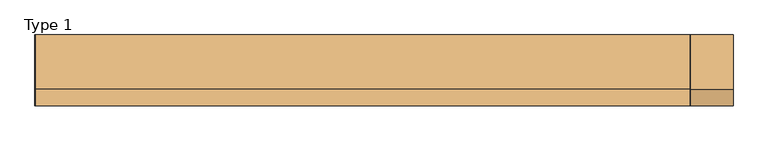
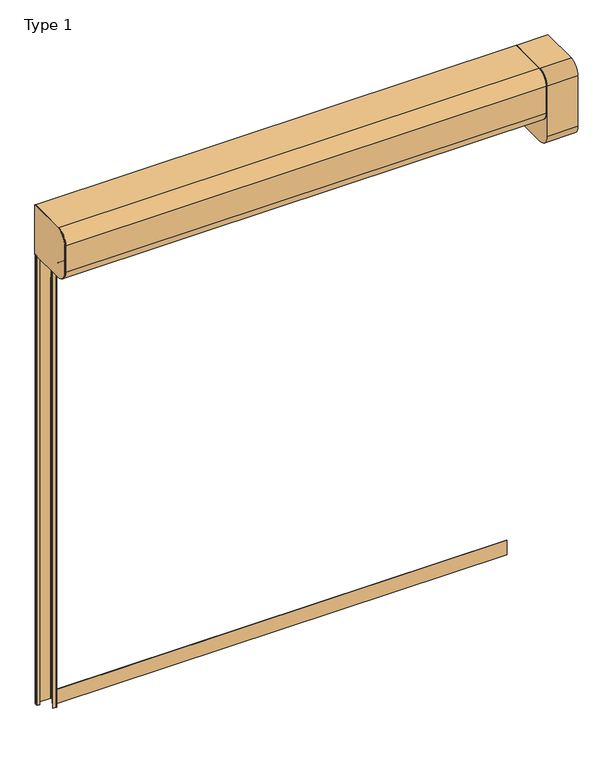
"""IFC4 building model written with IfcOpenShell, lengths in millimetres: door geometry, Type 1."""

from ifc_helpers import new_model, si_unit, point, frame, frame_2d, origin, origin_with_axes, place, context, project, spatial, polyline, circle_curve, trimmed, segment, composite_curve, outline, extrude, source, transform, mapped, element, save
from ifc_brep_helpers import plane_surface, cylinder_surface, revolved_surface, advanced_brep


def type_1_6bd4177a(model_context):
    return source(origin(), model_context, "Body", "SolidModel", [
        advanced_brep(
        [(-1622.2, -100.0, 0.0), (-1517.8, -100.0, 0.0), (-1515.0, -102.8, 0.0), (-1515.0, -145.3138261, 0.0), (-1517.1209002, -148.0302251, 0.0), (-1534.3940285, -152.3485071, 0.0), (-1535.0, -153.1246211, 0.0), (-1535.0, -195.7, 0.0), (-1537.8, -198.5, 0.0), (-1560.0, -198.5, 0.0), (-1560.0, -196.5, 0.0), (-1537.8, -196.5, 0.0), (-1537.0, -195.7, 0.0), (-1537.0, -153.1246211, 0.0), (-1534.8790998, -150.4082221, 0.0), (-1517.6059715, -146.0899401, 0.0), (-1517.0, -145.3138261, 0.0), (-1517.0, -102.8, 0.0), (-1517.8, -102.0, 0.0), (-1622.2, -102.0, 0.0), (-1623.0, -102.8, 0.0), (-1623.0, -122.2, 0.0), (-1622.2, -123.0, 0.0), (-1607.0, -123.0, 0.0), (-1607.0, -125.0, 0.0), (-1622.2, -125.0, 0.0), (-1625.0, -122.2, 0.0), (-1625.0, -102.8, 0.0), (-1622.2, -100.0, 3000.0), (-1622.2, -100.0, 3200.0), (-1517.8, -100.0, 3200.0), (-1517.8, -100.0, 3000.0), (-1515.0, -102.8, 3000.0), (-1515.0, -102.8, 3200.0), (-1515.0, -145.3138261, 3200.0), (-1515.0, -145.3138261, 3000.0), (-1517.1209002, -148.0302251, 3000.0), (-1517.1209002, -148.0302251, 3200.0), (-1534.3940285, -152.3485071, 3200.0), (-1534.3940285, -152.3485071, 3000.0), (-1535.0, -153.1246211, 3000.0), (-1535.0, -153.1246211, 3200.0), (-1535.0, -195.7, 3200.0), (-1535.0, -195.7, 3000.0), (-1537.8, -198.5, 3000.0), (-1537.8, -198.5, 3200.0), (-1560.0, -198.5, 3200.0), (-1560.0, -196.5, 3200.0), (-1537.8, -196.5, 3200.0), (-1537.8, -196.5, 3000.0), (-1537.0, -195.7, 3000.0), (-1537.0, -195.7, 3200.0), (-1537.0, -153.1246211, 3200.0), (-1537.0, -153.1246211, 3000.0), (-1534.8790998, -150.4082221, 3000.0), (-1534.8790998, -150.4082221, 3200.0), (-1517.6059715, -146.0899401, 3200.0), (-1517.6059715, -146.0899401, 3000.0), (-1517.0, -145.3138261, 3000.0), (-1517.0, -145.3138261, 3200.0), (-1517.0, -102.8, 3200.0), (-1517.0, -102.8, 3000.0), (-1517.8, -102.0, 3000.0), (-1517.8, -102.0, 3200.0), (-1622.2, -102.0, 3200.0), (-1622.2, -102.0, 3000.0), (-1623.0, -102.8, 3000.0), (-1623.0, -102.8, 3200.0), (-1623.0, -122.2, 3200.0), (-1623.0, -122.2, 3000.0), (-1622.2, -123.0, 3000.0), (-1622.2, -123.0, 3200.0), (-1607.0, -123.0, 3200.0), (-1607.0, -125.0, 3200.0), (-1622.2, -125.0, 3200.0), (-1622.2, -125.0, 3000.0), (-1625.0, -122.2, 3000.0), (-1625.0, -122.2, 3200.0), (-1625.0, -102.8, 3200.0), (-1625.0, -102.8, 3000.0)],
        [
            (0, 1),
            (1, 2, circle_curve(frame((-1517.8, -102.8, 0.0), z_axis=(0.0, 0.0, -1.0), x_axis=(0.0, -1.0, 0.0)), 2.8)),
            (2, 3),
            (3, 4, circle_curve(frame((-1517.8, -145.3138261, 0.0), z_axis=(0.0, 0.0, -1.0), x_axis=(0.0, -1.0, 0.0)), 2.8)),
            (4, 5),
            (5, 6, circle_curve(frame((-1534.2, -153.1246211, 0.0), z_axis=(0.0, 0.0, 1.0), x_axis=(0.0, -1.0, 0.0)), 0.8)),
            (6, 7),
            (7, 8, circle_curve(frame((-1537.8, -195.7, 0.0), z_axis=(0.0, 0.0, -1.0), x_axis=(0.0, -1.0, 0.0)), 2.8)),
            (8, 9),
            (9, 10),
            (10, 11),
            (11, 12, circle_curve(frame((-1537.8, -195.7, 0.0), z_axis=(0.0, 0.0, 1.0), x_axis=(0.0, -1.0, 0.0)), 0.8)),
            (12, 13),
            (13, 14, circle_curve(frame((-1534.2, -153.1246211, 0.0), z_axis=(0.0, 0.0, -1.0), x_axis=(0.0, -1.0, 0.0)), 2.8)),
            (14, 15),
            (15, 16, circle_curve(frame((-1517.8, -145.3138261, 0.0), z_axis=(0.0, 0.0, 1.0), x_axis=(0.0, -1.0, 0.0)), 0.8)),
            (16, 17),
            (17, 18, circle_curve(frame((-1517.8, -102.8, 0.0), z_axis=(0.0, 0.0, 1.0), x_axis=(0.0, -1.0, 0.0)), 0.8)),
            (18, 19),
            (19, 20, circle_curve(frame((-1622.2, -102.8, 0.0), z_axis=(0.0, 0.0, 1.0), x_axis=(0.0, -1.0, 0.0)), 0.8)),
            (20, 21),
            (21, 22, circle_curve(frame((-1622.2, -122.2, 0.0), z_axis=(0.0, 0.0, 1.0), x_axis=(0.0, -1.0, 0.0)), 0.8)),
            (22, 23),
            (23, 24),
            (24, 25),
            (25, 26, circle_curve(frame((-1622.2, -122.2, 0.0), z_axis=(0.0, 0.0, -1.0), x_axis=(0.0, -1.0, 0.0)), 2.8)),
            (26, 27),
            (27, 0, circle_curve(frame((-1622.2, -102.8, 0.0), z_axis=(0.0, 0.0, -1.0), x_axis=(0.0, -1.0, 0.0)), 2.8)),
            (0, 28),
            (28, 29),
            (29, 30),
            (30, 31),
            (31, 1),
            (31, 32, circle_curve(frame((-1517.8, -102.8, 3000.0), z_axis=(0.0, 0.0, -1.0), x_axis=(0.0, -1.0, 0.0)), 2.8)),
            (32, 2),
            (32, 33),
            (33, 34),
            (34, 35),
            (35, 3),
            (35, 36, circle_curve(frame((-1517.8, -145.3138261, 3000.0), z_axis=(0.0, 0.0, -1.0), x_axis=(0.0, -1.0, 0.0)), 2.8)),
            (36, 4),
            (36, 37),
            (37, 38),
            (38, 39),
            (39, 5),
            (39, 40, circle_curve(frame((-1534.2, -153.1246211, 3000.0), z_axis=(0.0, 0.0, 1.0), x_axis=(0.0, -1.0, 0.0)), 0.8)),
            (40, 6),
            (40, 41),
            (41, 42),
            (42, 43),
            (43, 7),
            (43, 44, circle_curve(frame((-1537.8, -195.7, 3000.0), z_axis=(0.0, 0.0, -1.0), x_axis=(0.0, -1.0, 0.0)), 2.8)),
            (44, 8),
            (44, 45),
            (45, 46),
            (46, 9),
            (46, 47),
            (47, 10),
            (47, 48),
            (48, 49),
            (49, 11),
            (49, 50, circle_curve(frame((-1537.8, -195.7, 3000.0), z_axis=(0.0, 0.0, 1.0), x_axis=(0.0, -1.0, 0.0)), 0.8)),
            (50, 12),
            (50, 51),
            (51, 52),
            (52, 53),
            (53, 13),
            (53, 54, circle_curve(frame((-1534.2, -153.1246211, 3000.0), z_axis=(0.0, 0.0, -1.0), x_axis=(0.0, -1.0, 0.0)), 2.8)),
            (54, 14),
            (54, 55),
            (55, 56),
            (56, 57),
            (57, 15),
            (57, 58, circle_curve(frame((-1517.8, -145.3138261, 3000.0), z_axis=(0.0, 0.0, 1.0), x_axis=(0.0, -1.0, 0.0)), 0.8)),
            (58, 16),
            (58, 59),
            (59, 60),
            (60, 61),
            (61, 17),
            (61, 62, circle_curve(frame((-1517.8, -102.8, 3000.0), z_axis=(0.0, 0.0, 1.0), x_axis=(0.0, -1.0, 0.0)), 0.8)),
            (62, 18),
            (62, 63),
            (63, 64),
            (64, 65),
            (65, 19),
            (65, 66, circle_curve(frame((-1622.2, -102.8, 3000.0), z_axis=(0.0, 0.0, 1.0), x_axis=(0.0, -1.0, 0.0)), 0.8)),
            (66, 20),
            (66, 67),
            (67, 68),
            (68, 69),
            (69, 21),
            (69, 70, circle_curve(frame((-1622.2, -122.2, 3000.0), z_axis=(0.0, 0.0, 1.0), x_axis=(0.0, -1.0, 0.0)), 0.8)),
            (70, 22),
            (70, 71),
            (71, 72),
            (72, 23),
            (72, 73),
            (73, 24),
            (73, 74),
            (74, 75),
            (75, 25),
            (75, 76, circle_curve(frame((-1622.2, -122.2, 3000.0), z_axis=(0.0, 0.0, -1.0), x_axis=(0.0, -1.0, 0.0)), 2.8)),
            (76, 26),
            (76, 77),
            (77, 78),
            (78, 79),
            (79, 27),
            (79, 28, circle_curve(frame((-1622.2, -102.8, 3000.0), z_axis=(0.0, 0.0, -1.0), x_axis=(0.0, -1.0, 0.0)), 2.8)),
            (78, 29, circle_curve(frame((-1622.2, -102.8, 3200.0), z_axis=(0.0, 0.0, -1.0), x_axis=(0.0, -1.0, 0.0)), 2.8)),
            (41, 38, circle_curve(frame((-1534.2, -153.1246211, 3200.0), z_axis=(0.0, 0.0, -1.0), x_axis=(0.0, -1.0, 0.0)), 0.8)),
            (37, 34, circle_curve(frame((-1517.8, -145.3138261, 3200.0), z_axis=(0.0, 0.0, 1.0), x_axis=(0.0, -1.0, 0.0)), 2.8)),
            (33, 30, circle_curve(frame((-1517.8, -102.8, 3200.0), z_axis=(0.0, 0.0, 1.0), x_axis=(0.0, -1.0, 0.0)), 2.8)),
            (77, 74, circle_curve(frame((-1622.2, -122.2, 3200.0), z_axis=(0.0, 0.0, 1.0), x_axis=(0.0, -1.0, 0.0)), 2.8)),
            (71, 68, circle_curve(frame((-1622.2, -122.2, 3200.0), z_axis=(0.0, 0.0, -1.0), x_axis=(0.0, -1.0, 0.0)), 0.8)),
            (67, 64, circle_curve(frame((-1622.2, -102.8, 3200.0), z_axis=(0.0, 0.0, -1.0), x_axis=(0.0, -1.0, 0.0)), 0.8)),
            (63, 60, circle_curve(frame((-1517.8, -102.8, 3200.0), z_axis=(0.0, 0.0, -1.0), x_axis=(0.0, -1.0, 0.0)), 0.8)),
            (59, 56, circle_curve(frame((-1517.8, -145.3138261, 3200.0), z_axis=(0.0, 0.0, -1.0), x_axis=(0.0, -1.0, 0.0)), 0.8)),
            (55, 52, circle_curve(frame((-1534.2, -153.1246211, 3200.0), z_axis=(0.0, 0.0, 1.0), x_axis=(0.0, -1.0, 0.0)), 2.8)),
            (51, 48, circle_curve(frame((-1537.8, -195.7, 3200.0), z_axis=(0.0, 0.0, -1.0), x_axis=(0.0, -1.0, 0.0)), 0.8)),
            (45, 42, circle_curve(frame((-1537.8, -195.7, 3200.0), z_axis=(0.0, 0.0, 1.0), x_axis=(0.0, -1.0, 0.0)), 2.8)),
        ],
        [
            plane_surface(frame((-1500.0, -100.0, 0.0), z_axis=(0.0, 0.0, -1.0), x_axis=(1.0, 0.0, 0.0))),
            plane_surface(frame((-1622.2, -100.0, 0.0), z_axis=(0.0, 1.0, 0.0), x_axis=(0.0, 0.0, 1.0))),
            cylinder_surface(frame((-1517.8, -102.8, 0.0), z_axis=(0.0, 0.0, -1.0), x_axis=(0.0, -1.0, 0.0)), 2.8),
            plane_surface(frame((-1515.0, -102.8, 0.0), z_axis=(1.0, 0.0, 0.0), x_axis=(0.0, 0.0, 1.0))),
            cylinder_surface(frame((-1517.8, -145.3138261, 0.0), z_axis=(0.0, 0.0, -1.0), x_axis=(0.0, -1.0, 0.0)), 2.8),
            plane_surface(frame((-1517.1209002, -148.0302251, 0.0), z_axis=(0.24253562503407194, -0.9701425001458972, 0.0), x_axis=(0.0, 0.0, 1.0))),
            revolved_surface(polyline([(-1534.2, -153.92462110000002, 3000.0), (-1534.2, -153.92462110000002, 0.0)]), (-1534.2, -153.1246211, 0.0), (0.0, 0.0, 1.0)),
            plane_surface(frame((-1535.0, -153.1246211, 0.0), z_axis=(1.0, 0.0, 0.0), x_axis=(0.0, 0.0, 1.0))),
            cylinder_surface(frame((-1537.8, -195.7, 0.0), z_axis=(0.0, 0.0, -1.0), x_axis=(0.0, -1.0, 0.0)), 2.8),
            plane_surface(frame((-1537.8, -198.5, 0.0), z_axis=(0.0, -1.0, 0.0), x_axis=(0.0, 0.0, 1.0))),
            plane_surface(frame((-1560.0, -198.5, 0.0), z_axis=(-1.0, 0.0, 0.0), x_axis=(0.0, 0.0, 1.0))),
            plane_surface(frame((-1560.0, -196.5, 0.0), z_axis=(0.0, 1.0, 0.0), x_axis=(0.0, 0.0, 1.0))),
            revolved_surface(polyline([(-1537.8, -196.5, 3000.0), (-1537.8, -196.5, 0.0)]), (-1537.8, -195.7, 0.0), (0.0, 0.0, 1.0)),
            plane_surface(frame((-1537.0, -195.7, 0.0), z_axis=(-1.0, 0.0, 0.0), x_axis=(0.0, 0.0, 1.0))),
            cylinder_surface(frame((-1534.2, -153.1246211, 0.0), z_axis=(0.0, 0.0, -1.0), x_axis=(0.0, -1.0, 0.0)), 2.8),
            plane_surface(frame((-1534.8790998, -150.4082221, 0.0), z_axis=(-0.24253562503339576, 0.9701425001460662, 0.0), x_axis=(0.0, 0.0, 1.0))),
            revolved_surface(polyline([(-1517.8, -146.1138261, 3000.0), (-1517.8, -146.1138261, 0.0)]), (-1517.8, -145.3138261, 0.0), (0.0, 0.0, 1.0)),
            plane_surface(frame((-1517.0, -145.3138261, 0.0), z_axis=(-1.0, 0.0, 0.0), x_axis=(0.0, 0.0, 1.0))),
            revolved_surface(polyline([(-1517.8, -103.6, 3000.0), (-1517.8, -103.6, 0.0)]), (-1517.8, -102.8, 0.0), (0.0, 0.0, 1.0)),
            plane_surface(frame((-1517.8, -102.0, 0.0), z_axis=(0.0, -1.0, 0.0), x_axis=(0.0, 0.0, 1.0))),
            revolved_surface(polyline([(-1622.2, -103.6, 3000.0), (-1622.2, -103.6, 0.0)]), (-1622.2, -102.8, 0.0), (0.0, 0.0, 1.0)),
            plane_surface(frame((-1623.0, -102.8, 0.0), z_axis=(1.0, 0.0, 0.0), x_axis=(0.0, 0.0, 1.0))),
            revolved_surface(polyline([(-1622.2, -123.0, 3000.0), (-1622.2, -123.0, 0.0)]), (-1622.2, -122.2, 0.0), (0.0, 0.0, 1.0)),
            plane_surface(frame((-1622.2, -123.0, 0.0), z_axis=(0.0, 1.0, 0.0), x_axis=(0.0, 0.0, 1.0))),
            plane_surface(frame((-1607.0, -123.0, 0.0), z_axis=(1.0, 0.0, 0.0), x_axis=(0.0, 0.0, 1.0))),
            plane_surface(frame((-1607.0, -125.0, 0.0), z_axis=(0.0, -1.0, 0.0), x_axis=(0.0, 0.0, 1.0))),
            cylinder_surface(frame((-1622.2, -122.2, 0.0), z_axis=(0.0, 0.0, -1.0), x_axis=(0.0, -1.0, 0.0)), 2.8),
            plane_surface(frame((-1625.0, -122.2, 0.0), z_axis=(-1.0, 0.0, 0.0), x_axis=(0.0, 0.0, 1.0))),
            cylinder_surface(frame((-1622.2, -102.8, 0.0), z_axis=(0.0, 0.0, -1.0), x_axis=(0.0, -1.0, 0.0)), 2.8),
            cylinder_surface(frame((-1622.2, -102.8, 3200.0), z_axis=(0.0, 0.0, -1.0), x_axis=(0.0, -1.0, 0.0)), 2.8),
            plane_surface(frame((-1535.0, -195.7, 3200.0), z_axis=(0.0, 0.0, 1.0), x_axis=(0.0, 1.0, 0.0))),
            cylinder_surface(frame((-1517.8, -102.8, 3200.0), z_axis=(0.0, 0.0, -1.0), x_axis=(0.0, -1.0, 0.0)), 2.8),
            cylinder_surface(frame((-1517.8, -145.3138261, 3200.0), z_axis=(0.0, 0.0, -1.0), x_axis=(0.0, -1.0, 0.0)), 2.8),
            revolved_surface(polyline([(-1534.2, -153.92462110000002, 3200.0), (-1534.2, -153.92462110000002, 3000.0)]), (-1534.2, -153.1246211, 3200.0), (0.0, 0.0, 1.0)),
            cylinder_surface(frame((-1537.8, -195.7, 3200.0), z_axis=(0.0, 0.0, -1.0), x_axis=(0.0, -1.0, 0.0)), 2.8),
            revolved_surface(polyline([(-1537.8, -196.5, 3200.0), (-1537.8, -196.5, 3000.0)]), (-1537.8, -195.7, 3200.0), (0.0, 0.0, 1.0)),
            cylinder_surface(frame((-1534.2, -153.1246211, 3200.0), z_axis=(0.0, 0.0, -1.0), x_axis=(0.0, -1.0, 0.0)), 2.8),
            revolved_surface(polyline([(-1517.8, -146.1138261, 3200.0), (-1517.8, -146.1138261, 3000.0)]), (-1517.8, -145.3138261, 3200.0), (0.0, 0.0, 1.0)),
            revolved_surface(polyline([(-1517.8, -103.6, 3200.0), (-1517.8, -103.6, 3000.0)]), (-1517.8, -102.8, 3200.0), (0.0, 0.0, 1.0)),
            revolved_surface(polyline([(-1622.2, -103.6, 3200.0), (-1622.2, -103.6, 3000.0)]), (-1622.2, -102.8, 3200.0), (0.0, 0.0, 1.0)),
            revolved_surface(polyline([(-1622.2, -123.0, 3200.0), (-1622.2, -123.0, 3000.0)]), (-1622.2, -122.2, 3200.0), (0.0, 0.0, 1.0)),
            cylinder_surface(frame((-1622.2, -122.2, 3200.0), z_axis=(0.0, 0.0, -1.0), x_axis=(0.0, -1.0, 0.0)), 2.8),
        ],
        [
            (0, [[1, 2, 3, 4, 5, 6, 7, 8, 9, 10, 11, 12, 13, 14, 15, 16, 17, 18, 19, 20, 21, 22, 23, 24, 25, 26, 27, 28]]),
            (1, [[-1, 29, 30, 31, 32, 33]]),
            (2, [[-2, -33, 34, 35]]),
            (3, [[-3, -35, 36, 37, 38, 39]]),
            (4, [[-4, -39, 40, 41]]),
            (5, [[-5, -41, 42, 43, 44, 45]]),
            (6, [[-6, -45, 46, 47]]),
            (7, [[-7, -47, 48, 49, 50, 51]]),
            (8, [[-8, -51, 52, 53]]),
            (9, [[-9, -53, 54, 55, 56]]),
            (10, [[-10, -56, 57, 58]]),
            (11, [[-11, -58, 59, 60, 61]]),
            (12, [[-12, -61, 62, 63]]),
            (13, [[-13, -63, 64, 65, 66, 67]]),
            (14, [[-14, -67, 68, 69]]),
            (15, [[-15, -69, 70, 71, 72, 73]]),
            (16, [[-16, -73, 74, 75]]),
            (17, [[-17, -75, 76, 77, 78, 79]]),
            (18, [[-18, -79, 80, 81]]),
            (19, [[-19, -81, 82, 83, 84, 85]]),
            (20, [[-20, -85, 86, 87]]),
            (21, [[-21, -87, 88, 89, 90, 91]]),
            (22, [[-22, -91, 92, 93]]),
            (23, [[-23, -93, 94, 95, 96]]),
            (24, [[-24, -96, 97, 98]]),
            (25, [[-25, -98, 99, 100, 101]]),
            (26, [[-26, -101, 102, 103]]),
            (27, [[-27, -103, 104, 105, 106, 107]]),
            (28, [[-28, -107, 108, -29]]),
            (29, [[109, -30, -108, -106]]),
            (30, [[110, -43, 111, -37, 112, -31, -109, -105, 113, -99, -97, -95, 114, -89, 115, -83, 116, -77, 117, -71, 118, -65, 119, -59, -57, -55, 120, -49]]),
            (31, [[-112, -36, -34, -32]]),
            (32, [[-111, -42, -40, -38]]),
            (33, [[-110, -48, -46, -44]]),
            (34, [[-120, -54, -52, -50]]),
            (35, [[-119, -64, -62, -60]]),
            (36, [[-118, -70, -68, -66]]),
            (37, [[-117, -76, -74, -72]]),
            (38, [[-116, -82, -80, -78]]),
            (39, [[-115, -88, -86, -84]]),
            (40, [[-114, -94, -92, -90]]),
            (41, [[-113, -104, -102, -100]]),
        ],
    ),
        extrude(outline(composite_curve([segment(polyline([(-370.0, 3550.0), (-100.0, 3550.0), (-100.0, 3030.0), (-370.0, 3030.0)]), True, "CONTINUOUS"), segment(trimmed(circle_curve(frame_2d((-370.0, 3110.0)), 80.0), [point((-370.0, 3030.0))], [point((-450.0, 3110.0))], False, "CARTESIAN"), True, "CONTINUOUS"), segment(polyline([(-450.0, 3110.0), (-450.0, 3470.0)]), True, "CONTINUOUS"), segment(trimmed(circle_curve(frame_2d((-370.0, 3470.0)), 80.0), [point((-450.0, 3470.0))], [point((-370.0, 3550.0))], False, "CARTESIAN"), True, "CONTINUOUS")], self_intersect=False)), frame((1625.0, 0.0, 0.0), z_axis=(1.0, 0.0, 0.0), x_axis=(0.0, 1.0, 0.0)), (0.0, 0.0, 1.0), 210.0),
        extrude(outline(composite_curve([segment(polyline([(-370.0, 3550.0), (-100.0, 3550.0), (-100.0, 3545.0), (-370.0, 3545.0)]), True, "CONTINUOUS"), segment(trimmed(circle_curve(frame_2d((-370.0, 3470.0)), 75.0), [point((-370.0, 3545.0))], [point((-445.0, 3470.0))], True, "CARTESIAN"), True, "CONTINUOUS"), segment(polyline([(-445.0, 3470.0), (-445.0, 3280.0)]), True, "CONTINUOUS"), segment(trimmed(circle_curve(frame_2d((-370.0, 3280.0)), 75.0), [point((-445.0, 3280.0))], [point((-370.0, 3205.0))], True, "CARTESIAN"), True, "CONTINUOUS"), segment(polyline([(-370.0, 3205.0), (-200.0, 3205.0), (-200.0, 3200.0), (-370.0, 3200.0)]), True, "CONTINUOUS"), segment(trimmed(circle_curve(frame_2d((-370.0, 3280.0)), 80.0), [point((-370.0, 3200.0))], [point((-450.0, 3280.0))], False, "CARTESIAN"), True, "CONTINUOUS"), segment(polyline([(-450.0, 3280.0), (-450.0, 3470.0)]), True, "CONTINUOUS"), segment(trimmed(circle_curve(frame_2d((-370.0, 3470.0)), 80.0), [point((-450.0, 3470.0))], [point((-370.0, 3550.0))], False, "CARTESIAN"), True, "CONTINUOUS")], self_intersect=False)), frame((-1620.0, 0.0, 0.0), z_axis=(1.0, 0.0, 0.0), x_axis=(0.0, 1.0, 0.0)), (0.0, 0.0, 1.0), 3240.0),
        advanced_brep(
        [(1535.0, -275.0, 3325.0), (1535.0, -275.0, 3425.0), (1535.0, -275.0, 3385.0), (1535.0, -275.0, 3365.0), (-1535.0, -275.0, 3325.0), (-1535.0, -275.0, 3425.0), (-1535.0, -275.0, 3365.0), (-1535.0, -275.0, 3385.0), (1570.0, -275.0, 3385.0), (1570.0, -275.0, 3365.0), (-1570.0, -275.0, 3365.0), (-1570.0, -275.0, 3385.0)],
        [
            (0, 1, circle_curve(frame((1535.0, -275.0, 3375.0), z_axis=(1.0, 0.0, 0.0), x_axis=(0.0, 0.0, 1.0)), 50.0)),
            (1, 0, circle_curve(frame((1535.0, -275.0, 3375.0), z_axis=(1.0, 0.0, 0.0), x_axis=(0.0, 0.0, 1.0)), 50.0)),
            (2, 3, circle_curve(frame((1535.0, -275.0, 3375.0), z_axis=(-1.0, 0.0, 0.0), x_axis=(0.0, 0.0, -1.0)), 10.0)),
            (3, 2, circle_curve(frame((1535.0, -275.0, 3375.0), z_axis=(-1.0, 0.0, 0.0), x_axis=(0.0, 0.0, -1.0)), 10.0)),
            (4, 5, circle_curve(frame((-1535.0, -275.0, 3375.0), z_axis=(-1.0, 0.0, 0.0), x_axis=(0.0, 0.0, 1.0)), 50.0)),
            (5, 4, circle_curve(frame((-1535.0, -275.0, 3375.0), z_axis=(-1.0, 0.0, 0.0), x_axis=(0.0, 0.0, 1.0)), 50.0)),
            (6, 7, circle_curve(frame((-1535.0, -275.0, 3375.0), z_axis=(1.0, 0.0, 0.0), x_axis=(0.0, 0.0, 1.0)), 10.0)),
            (7, 6, circle_curve(frame((-1535.0, -275.0, 3375.0), z_axis=(1.0, 0.0, 0.0), x_axis=(0.0, 0.0, 1.0)), 10.0)),
            (0, 4),
            (5, 1),
            (8, 9, circle_curve(frame((1570.0, -275.0, 3375.0), z_axis=(1.0, 0.0, 0.0), x_axis=(0.0, 0.0, -1.0)), 10.0)),
            (9, 8, circle_curve(frame((1570.0, -275.0, 3375.0), z_axis=(1.0, 0.0, 0.0), x_axis=(0.0, 0.0, -1.0)), 10.0)),
            (9, 3),
            (2, 8),
            (10, 11, circle_curve(frame((-1570.0, -275.0, 3375.0), z_axis=(-1.0, 0.0, 0.0), x_axis=(0.0, 0.0, 1.0)), 10.0)),
            (11, 10, circle_curve(frame((-1570.0, -275.0, 3375.0), z_axis=(-1.0, 0.0, 0.0), x_axis=(0.0, 0.0, 1.0)), 10.0)),
            (11, 7),
            (6, 10),
        ],
        [
            plane_surface(frame((1535.0, -275.0, 3425.0), z_axis=(1.0, 0.0, 0.0), x_axis=(0.0, -1.0, 0.0))),
            plane_surface(frame((-1535.0, -275.0, 3425.0), z_axis=(-1.0, 0.0, 0.0), x_axis=(0.0, 1.0, 0.0))),
            cylinder_surface(frame((-1535.0, -275.0, 3375.0), z_axis=(1.0, 0.0, 0.0), x_axis=(0.0, 0.0, 1.0)), 50.0),
            plane_surface(frame((1570.0, -275.0, 3365.0), z_axis=(1.0, 0.0, 0.0), x_axis=(0.0, 1.0, 0.0))),
            cylinder_surface(frame((1570.0, -275.0, 3375.0), z_axis=(-1.0, 0.0, 0.0), x_axis=(0.0, 0.0, -1.0)), 10.0),
            plane_surface(frame((-1570.0, -275.0, 3385.0), z_axis=(-1.0, 0.0, 0.0), x_axis=(0.0, 1.0, 0.0))),
            cylinder_surface(frame((-1570.0, -275.0, 3375.0), z_axis=(1.0, 0.0, 0.0), x_axis=(0.0, 0.0, 1.0)), 10.0),
        ],
        [
            (0, [[1, 2], [3, 4]]),
            (1, [[5, 6], [7, 8]]),
            (2, [[-1, 9, -6, 10]]),
            (2, [[-2, -10, -5, -9]]),
            (3, [[11, 12]]),
            (4, [[-12, 13, -3, 14]]),
            (4, [[-11, -14, -4, -13]]),
            (5, [[15, 16]]),
            (6, [[-16, 17, -7, 18]]),
            (6, [[-15, -18, -8, -17]]),
        ],
    ),
        extrude(outline(composite_curve([segment(trimmed(circle_curve(frame_2d((-220.0, 3430.0)), 40.0), [point((-220.0, 3470.0))], [point((-180.0, 3430.0))], False, "CARTESIAN"), True, "CONTINUOUS"), segment(polyline([(-180.0, 3430.0), (-180.0, 3320.0)]), True, "CONTINUOUS"), segment(trimmed(circle_curve(frame_2d((-220.0, 3320.0)), 40.0), [point((-180.0, 3320.0))], [point((-220.0, 3280.0))], False, "CARTESIAN"), True, "CONTINUOUS"), segment(polyline([(-220.0, 3280.0), (-330.0, 3280.0)]), True, "CONTINUOUS"), segment(trimmed(circle_curve(frame_2d((-330.0, 3320.0)), 40.0), [point((-330.0, 3280.0))], [point((-370.0, 3320.0))], False, "CARTESIAN"), True, "CONTINUOUS"), segment(polyline([(-370.0, 3320.0), (-370.0, 3430.0)]), True, "CONTINUOUS"), segment(trimmed(circle_curve(frame_2d((-330.0, 3430.0)), 40.0), [point((-370.0, 3430.0))], [point((-330.0, 3470.0))], False, "CARTESIAN"), True, "CONTINUOUS"), segment(polyline([(-330.0, 3470.0), (-220.0, 3470.0)]), True, "CONTINUOUS")], self_intersect=False)), frame((1570.0, 0.0, 0.0), z_axis=(1.0, 0.0, 0.0), x_axis=(0.0, 1.0, 0.0)), (0.0, 0.0, 1.0), 50.0),
        extrude(outline(composite_curve([segment(trimmed(circle_curve(frame_2d((-220.0, 3430.0)), 40.0), [point((-220.0, 3470.0))], [point((-180.0, 3430.0))], False, "CARTESIAN"), True, "CONTINUOUS"), segment(polyline([(-180.0, 3430.0), (-180.0, 3320.0)]), True, "CONTINUOUS"), segment(trimmed(circle_curve(frame_2d((-220.0, 3320.0)), 40.0), [point((-180.0, 3320.0))], [point((-220.0, 3280.0))], False, "CARTESIAN"), True, "CONTINUOUS"), segment(polyline([(-220.0, 3280.0), (-330.0, 3280.0)]), True, "CONTINUOUS"), segment(trimmed(circle_curve(frame_2d((-330.0, 3320.0)), 40.0), [point((-330.0, 3280.0))], [point((-370.0, 3320.0))], False, "CARTESIAN"), True, "CONTINUOUS"), segment(polyline([(-370.0, 3320.0), (-370.0, 3430.0)]), True, "CONTINUOUS"), segment(trimmed(circle_curve(frame_2d((-330.0, 3430.0)), 40.0), [point((-370.0, 3430.0))], [point((-330.0, 3470.0))], False, "CARTESIAN"), True, "CONTINUOUS"), segment(polyline([(-330.0, 3470.0), (-220.0, 3470.0)]), True, "CONTINUOUS")], self_intersect=False)), frame((-1620.0, 0.0, 0.0), z_axis=(1.0, 0.0, 0.0), x_axis=(0.0, 1.0, 0.0)), (0.0, 0.0, 1.0), 50.0),
        extrude(outline(composite_curve([segment(polyline([(-370.0, 3550.0), (-100.0, 3550.0), (-100.0, 3200.0), (-370.0, 3200.0)]), True, "CONTINUOUS"), segment(trimmed(circle_curve(frame_2d((-370.0, 3280.0)), 80.0), [point((-370.0, 3200.0))], [point((-450.0, 3280.0))], False, "CARTESIAN"), True, "CONTINUOUS"), segment(polyline([(-450.0, 3280.0), (-450.0, 3470.0)]), True, "CONTINUOUS"), segment(trimmed(circle_curve(frame_2d((-370.0, 3470.0)), 80.0), [point((-450.0, 3470.0))], [point((-370.0, 3550.0))], False, "CARTESIAN"), True, "CONTINUOUS")], self_intersect=False)), frame((1620.0, 0.0, 0.0), z_axis=(1.0, 0.0, 0.0), x_axis=(0.0, 1.0, 0.0)), (0.0, 0.0, 1.0), 5.0),
        extrude(outline(composite_curve([segment(polyline([(-100.0, 3200.0), (-370.0, 3200.0)]), True, "CONTINUOUS"), segment(trimmed(circle_curve(frame_2d((-370.0, 3280.0)), 80.0), [point((-370.0, 3200.0))], [point((-450.0, 3280.0))], False, "CARTESIAN"), True, "CONTINUOUS"), segment(polyline([(-450.0, 3280.0), (-450.0, 3470.0)]), True, "CONTINUOUS"), segment(trimmed(circle_curve(frame_2d((-370.0, 3470.0)), 80.0), [point((-450.0, 3470.0))], [point((-370.0, 3550.0))], False, "CARTESIAN"), True, "CONTINUOUS"), segment(polyline([(-370.0, 3550.0), (-100.0, 3550.0), (-100.0, 3200.0)]), True, "CONTINUOUS")], self_intersect=False)), frame((-1625.0, 0.0, 0.0), z_axis=(1.0, 0.0, 0.0), x_axis=(0.0, 1.0, 0.0)), (0.0, 0.0, 1.0), 5.0),
        extrude(outline(polyline([(-1518.6, -163.0), (1518.6, -163.0), (1518.6, -167.0), (-1518.6, -167.0), (-1518.6, -163.0)])), origin_with_axes(), (0.0, 0.0, 1.0), 100.0),
    ])


if __name__ == "__main__":
    model = new_model("IFC4")
    model_context = context("Model", 3, world=origin())
    ifc_project = project(units=[si_unit("LENGTHUNIT", "METRE", prefix="MILLI")], contexts=[model_context])
    site = spatial("IfcSite", under=ifc_project)
    building = spatial("IfcBuilding", under=site)
    placement = place(None, origin())
    type_1_shape = type_1_6bd4177a(model_context)
    element("IfcDoor", 1, ObjectType="Type 1", at=placement, inside=building, context=model_context, shape_type="MappedRepresentation", body=[
        mapped(type_1_shape, transform((0.0, 0.0, 0.0), x_axis=(1.0, 0.0, 0.0), y_axis=(0.0, 1.0, 0.0), z_axis=(0.0, 0.0, 1.0))),
    ])
    save(model, "model.ifc")
